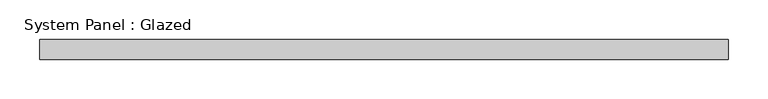
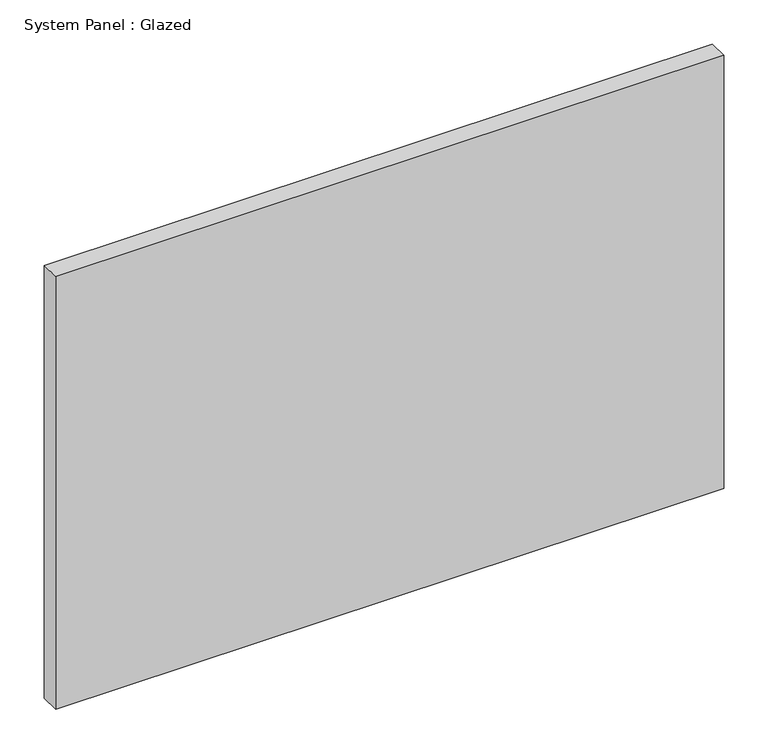
"""IFC4 building model written with IfcOpenShell, lengths in millimetres: plate geometry, System Panel : Glazed."""

from ifc_helpers import new_model, si_unit, origin, origin_with_axes, place, context, project, spatial, polyline, outline, extrude, source, transform, mapped, element, save


def system_panel_glazed_03762990(model_context):
    return source(origin(), model_context, "Body", "SweptSolid", [
        extrude(outline(polyline([(435.3395835, 19.05), (-435.3395835, 19.05), (-435.3395835, 44.45), (435.3395835, 44.45), (435.3395835, 19.05)])), origin_with_axes(), (0.0, 0.0, 1.0), 596.9),
    ])


if __name__ == "__main__":
    model = new_model("IFC4")
    model_context = context("Model", 3, world=origin())
    ifc_project = project(units=[si_unit("LENGTHUNIT", "METRE", prefix="MILLI")], contexts=[model_context])
    site = spatial("IfcSite", under=ifc_project)
    building = spatial("IfcBuilding", under=site)
    placement = place(None, origin())
    system_panel_glazed_shape = system_panel_glazed_03762990(model_context)
    element("IfcPlate", 1, ObjectType="System Panel : Glazed", at=placement, inside=building, context=model_context, shape_type="MappedRepresentation", body=[
        mapped(system_panel_glazed_shape, transform((0.0, 0.0, 0.0), x_axis=(1.0, 0.0, 0.0), y_axis=(0.0, 1.0, 0.0), z_axis=(0.0, 0.0, 1.0))),
    ])
    save(model, "model.ifc")
